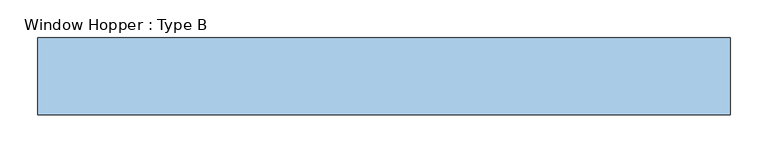
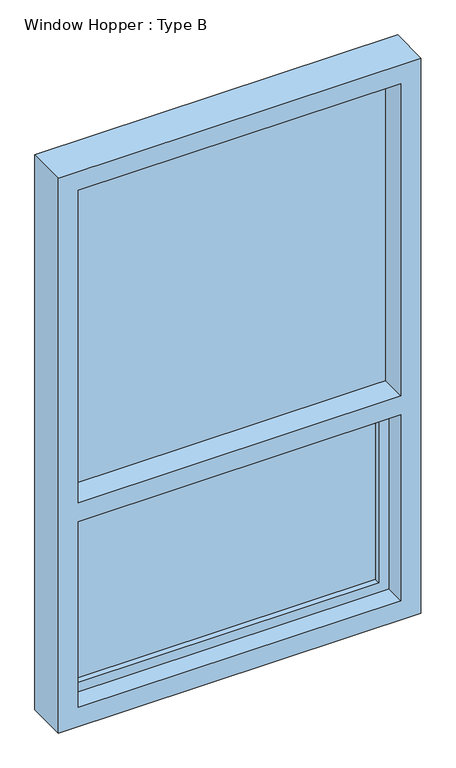
"""IFC4 building model written with IfcOpenShell, lengths in millimetres: window geometry, Window Hopper : Type B."""

from ifc_helpers import new_model, si_unit, frame, origin, place, context, project, spatial, polyline, outline, extrude, source, transform, mapped, element, save


def window_hopper_type_b_d16484b3(model_context):
    return source(origin(), model_context, "Body", "SweptSolid", [
        extrude(outline(polyline([(406.4, 69.85), (-406.4, 69.85), (-406.4, 88.9), (406.4, 88.9), (406.4, 69.85)])), frame((0.0, 0.0, 1352.55), z_axis=(0.0, 0.0, 1.0), x_axis=(1.0, 0.0, 0.0)), (0.0, 0.0, 1.0), 831.85),
        extrude(outline(polyline([(2235.2, 457.2), (2235.2, -457.2), (755.65, -457.2), (755.65, 457.2), (2235.2, 457.2)]), holes=[polyline([(1301.75, 406.4), (806.45, 406.4), (806.45, -406.4), (1301.75, -406.4), (1301.75, 406.4)]), polyline([(2184.4, -406.4), (2184.4, 406.4), (1352.55, 406.4), (1352.55, -406.4), (2184.4, -406.4)])]), frame((0.0, 3.175, 0.0), z_axis=(0.0, 1.0, 0.0), x_axis=(0.0, 0.0, 1.0)), (0.0, 0.0, 1.0), 101.6),
        extrude(outline(polyline([(-381.0, 88.9), (381.0, 88.9), (381.0, 69.85), (-381.0, 69.85), (-381.0, 88.9)])), frame((0.0, 0.0, 831.85), z_axis=(0.0, 0.0, 1.0), x_axis=(1.0, 0.0, 0.0)), (0.0, 0.0, 1.0), 444.5),
        extrude(outline(polyline([(1301.75, 406.4), (1301.75, -406.4), (806.45, -406.4), (806.45, 406.4), (1301.75, 406.4)]), holes=[polyline([(1276.35, 381.0), (831.85, 381.0), (831.85, -381.0), (1276.35, -381.0), (1276.35, 381.0)])]), frame((0.0, 53.975, 0.0), z_axis=(0.0, 1.0, 0.0), x_axis=(0.0, 0.0, 1.0)), (0.0, 0.0, 1.0), 50.8),
    ])


if __name__ == "__main__":
    model = new_model("IFC4")
    model_context = context("Model", 3, world=origin())
    ifc_project = project(units=[si_unit("LENGTHUNIT", "METRE", prefix="MILLI")], contexts=[model_context])
    site = spatial("IfcSite", under=ifc_project)
    building = spatial("IfcBuilding", under=site)
    placement = place(None, origin())
    window_hopper_type_b_shape = window_hopper_type_b_d16484b3(model_context)
    element("IfcWindow", 1, ObjectType="Window Hopper : Type B", at=placement, inside=building, context=model_context, shape_type="MappedRepresentation", body=[
        mapped(window_hopper_type_b_shape, transform((0.0, 0.0, 0.0), x_axis=(1.0, 0.0, 0.0), y_axis=(0.0, 1.0, 0.0), z_axis=(0.0, 0.0, 1.0))),
    ])
    save(model, "model.ifc")
